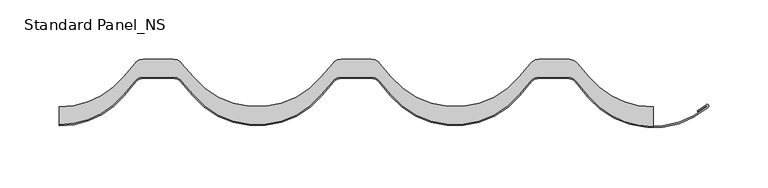
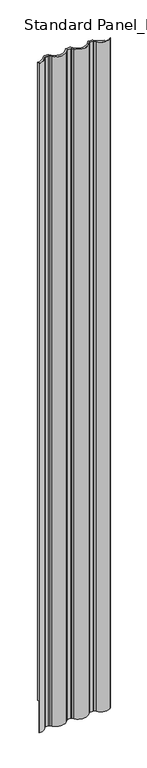
"""IFC4 building model written with IfcOpenShell, lengths in millimetres: proxy geometry, Standard Panel_NS."""

from ifc_helpers import new_model, si_unit, point, frame, frame_2d, origin, origin_with_axes, place, context, project, spatial, polyline, circle_curve, trimmed, segment, composite_curve, outline, extrude, source, transform, mapped, element, save


def standard_panel_ns_fa3ebecd(model_context):
    return source(origin(), model_context, "Body", "SweptSolid", [
        extrude(outline(composite_curve([segment(trimmed(circle_curve(frame_2d((-250.0020002, 15.0757185)), 70.0757185), [point((-196.3208854, -29.9680851))], [point((-250.0000002, -55.0))], False, "CARTESIAN"), True, "CONTINUOUS"), segment(polyline([(-250.0000002, -55.0), (-250.0000002, -40.0)]), True, "CONTINUOUS"), segment(trimmed(circle_curve(frame_2d((-250.0019094, 30.5757185)), 70.5757185), [point((-250.0000002, -40.0))], [point((-195.9377724, -14.7894789))], True, "CARTESIAN"), True, "CONTINUOUS"), segment(polyline([(-195.9377724, -14.7894789), (-186.150623, -3.1256084)]), True, "CONTINUOUS"), segment(trimmed(circle_curve(frame_2d((-179.4477341, -8.75)), 8.75), [point((-186.150623, -3.1256084))], [point((-179.4477341, 0.0))], False, "CARTESIAN"), True, "CONTINUOUS"), segment(polyline([(-179.4477341, 0.0), (-153.8900847, 0.0)]), True, "CONTINUOUS"), segment(trimmed(circle_curve(frame_2d((-153.8900847, -8.75)), 8.75), [point((-153.8900847, 0.0))], [point((-147.1871958, -3.1256084))], False, "CARTESIAN"), True, "CONTINUOUS"), segment(polyline([(-147.1871958, -3.1256084), (-137.4000464, -14.7894789)]), True, "CONTINUOUS"), segment(trimmed(circle_curve(frame_2d((-83.3359094, 30.5757185)), 70.5757185), [point((-137.4000464, -14.7894789))], [point((-29.2717724, -14.7894789))], True, "CARTESIAN"), True, "CONTINUOUS"), segment(polyline([(-29.2717724, -14.7894789), (-19.484623, -3.1256084)]), True, "CONTINUOUS"), segment(trimmed(circle_curve(frame_2d((-12.7817341, -8.75)), 8.75), [point((-19.484623, -3.1256084))], [point((-12.7817341, 0.0))], False, "CARTESIAN"), True, "CONTINUOUS"), segment(polyline([(-12.7817341, 0.0), (12.7759153, 0.0)]), True, "CONTINUOUS"), segment(trimmed(circle_curve(frame_2d((12.7759153, -8.75)), 8.75), [point((12.7759153, 0.0))], [point((19.4788042, -3.1256084))], False, "CARTESIAN"), True, "CONTINUOUS"), segment(polyline([(19.4788042, -3.1256084), (29.2659536, -14.7894789)]), True, "CONTINUOUS"), segment(trimmed(circle_curve(frame_2d((83.3300906, 30.5757185)), 70.5757185), [point((29.2659536, -14.7894789))], [point((137.3942276, -14.7894789))], True, "CARTESIAN"), True, "CONTINUOUS"), segment(polyline([(137.3942276, -14.7894789), (147.181377, -3.1256084)]), True, "CONTINUOUS"), segment(trimmed(circle_curve(frame_2d((153.8842659, -8.75)), 8.75), [point((147.181377, -3.1256084))], [point((153.8842659, 0.0))], False, "CARTESIAN"), True, "CONTINUOUS"), segment(polyline([(153.8842659, 0.0), (179.4425753, 0.0)]), True, "CONTINUOUS"), segment(trimmed(circle_curve(frame_2d((179.4425753, -8.75)), 8.75), [point((179.4425753, 0.0))], [point((186.2053543, -3.1977644))], False, "CARTESIAN"), True, "CONTINUOUS"), segment(polyline([(186.2053543, -3.1977644), (195.93412, -14.7912741)]), True, "CONTINUOUS"), segment(trimmed(circle_curve(frame_2d((249.9967506, 30.5757185)), 70.5757185), [point((195.93412, -14.7912741))], [point((249.9999091, -39.9999999))], True, "CARTESIAN"), True, "CONTINUOUS"), segment(polyline([(249.9999091, -39.9999999), (249.9999091, -56.5627177)]), True, "CONTINUOUS"), segment(trimmed(circle_curve(frame_2d((249.9965208, 13.5131508)), 70.0758685), [point((249.9999091, -56.5627177))], [point((196.315903, -31.5314785))], False, "CARTESIAN"), True, "CONTINUOUS"), segment(polyline([(196.315903, -31.5314785), (185.3078486, -18.412952)]), True, "CONTINUOUS"), segment(trimmed(circle_curve(frame_2d((177.9886197, -24.5546837)), 9.5546837), [point((185.3078486, -18.412952))], [point((177.9886197, -15.0))], True, "CARTESIAN"), True, "CONTINUOUS"), segment(polyline([(177.9886197, -15.0), (153.8841751, -15.0)]), True, "CONTINUOUS"), segment(trimmed(circle_curve(frame_2d((153.8841751, -24.25)), 9.25), [point((153.8841751, -15.0))], [point((146.798264, -18.3042146))], True, "CARTESIAN"), True, "CONTINUOUS"), segment(polyline([(146.798264, -18.3042146), (137.0111146, -29.9680851)]), True, "CONTINUOUS"), segment(trimmed(circle_curve(frame_2d((83.3299998, 15.0757185)), 70.0757185), [point((137.0111146, -29.9680851))], [point((29.6488851, -29.9680851))], False, "CARTESIAN"), True, "CONTINUOUS"), segment(polyline([(29.6488851, -29.9680851), (19.8617357, -18.3042146)]), True, "CONTINUOUS"), segment(trimmed(circle_curve(frame_2d((12.7758246, -24.25)), 9.25), [point((19.8617357, -18.3042146))], [point((12.7758246, -15.0))], True, "CARTESIAN"), True, "CONTINUOUS"), segment(polyline([(12.7758246, -15.0), (-12.7818249, -15.0)]), True, "CONTINUOUS"), segment(trimmed(circle_curve(frame_2d((-12.7818249, -24.25)), 9.25), [point((-12.7818249, -15.0))], [point((-19.867736, -18.3042146))], True, "CARTESIAN"), True, "CONTINUOUS"), segment(polyline([(-19.867736, -18.3042146), (-29.6548854, -29.9680851)]), True, "CONTINUOUS"), segment(trimmed(circle_curve(frame_2d((-83.3360002, 15.0757185)), 70.0757185), [point((-29.6548854, -29.9680851))], [point((-137.0171149, -29.9680851))], False, "CARTESIAN"), True, "CONTINUOUS"), segment(polyline([(-137.0171149, -29.9680851), (-146.8042643, -18.3042146)]), True, "CONTINUOUS"), segment(trimmed(circle_curve(frame_2d((-153.8901754, -24.25)), 9.25), [point((-146.8042643, -18.3042146))], [point((-153.8901754, -15.0))], True, "CARTESIAN"), True, "CONTINUOUS"), segment(polyline([(-153.8901754, -15.0), (-179.4478249, -15.0)]), True, "CONTINUOUS"), segment(trimmed(circle_curve(frame_2d((-179.4478249, -24.25)), 9.25), [point((-179.4478249, -15.0))], [point((-186.533736, -18.3042146))], True, "CARTESIAN"), True, "CONTINUOUS"), segment(polyline([(-186.533736, -18.3042146), (-196.3208854, -29.9680851)]), True, "CONTINUOUS")], self_intersect=False)), origin_with_axes(), (0.0, 0.0, 1.0), 5055.937104),
        extrude(outline(composite_curve([segment(trimmed(circle_curve(frame_2d((-250.0020002, 15.0757185)), 71.0757185), [point((-195.5548409, -30.6108727))], [point((-250.0000002, -56.0))], False, "CARTESIAN"), True, "CONTINUOUS"), segment(polyline([(-250.0000002, -56.0), (-250.0000002, -55.0)]), True, "CONTINUOUS"), segment(trimmed(circle_curve(frame_2d((-250.0020002, 15.0757185)), 70.0757185), [point((-250.0000002, -55.0))], [point((-196.3208854, -29.9680851))], True, "CARTESIAN"), True, "CONTINUOUS"), segment(polyline([(-196.3208854, -29.9680851), (-186.533736, -18.3042146)]), True, "CONTINUOUS"), segment(trimmed(circle_curve(frame_2d((-179.4478249, -24.25)), 9.25), [point((-186.533736, -18.3042146))], [point((-179.4478249, -15.0))], False, "CARTESIAN"), True, "CONTINUOUS"), segment(polyline([(-179.4478249, -15.0), (-153.8901754, -15.0)]), True, "CONTINUOUS"), segment(trimmed(circle_curve(frame_2d((-153.8901754, -24.25)), 9.25), [point((-153.8901754, -15.0))], [point((-146.8042643, -18.3042146))], False, "CARTESIAN"), True, "CONTINUOUS"), segment(polyline([(-146.8042643, -18.3042146), (-137.0171149, -29.9680851)]), True, "CONTINUOUS"), segment(trimmed(circle_curve(frame_2d((-83.3360002, 15.0757185)), 70.0757185), [point((-137.0171149, -29.9680851))], [point((-29.6548854, -29.9680851))], True, "CARTESIAN"), True, "CONTINUOUS"), segment(polyline([(-29.6548854, -29.9680851), (-19.867736, -18.3042146)]), True, "CONTINUOUS"), segment(trimmed(circle_curve(frame_2d((-12.7818249, -24.25)), 9.25), [point((-19.867736, -18.3042146))], [point((-12.7818249, -15.0))], False, "CARTESIAN"), True, "CONTINUOUS"), segment(polyline([(-12.7818249, -15.0), (12.7758246, -15.0)]), True, "CONTINUOUS"), segment(trimmed(circle_curve(frame_2d((12.7758246, -24.25)), 9.25), [point((12.7758246, -15.0))], [point((19.8617357, -18.3042146))], False, "CARTESIAN"), True, "CONTINUOUS"), segment(polyline([(19.8617357, -18.3042146), (29.6488851, -29.9680851)]), True, "CONTINUOUS"), segment(trimmed(circle_curve(frame_2d((83.3299998, 15.0757185)), 70.0757185), [point((29.6488851, -29.9680851))], [point((137.0111146, -29.9680851))], True, "CARTESIAN"), True, "CONTINUOUS"), segment(polyline([(137.0111146, -29.9680851), (146.798264, -18.3042146)]), True, "CONTINUOUS"), segment(trimmed(circle_curve(frame_2d((153.8841751, -24.25)), 9.25), [point((146.798264, -18.3042146))], [point((153.8841751, -15.0))], False, "CARTESIAN"), True, "CONTINUOUS"), segment(polyline([(153.8841751, -15.0), (177.9886197, -15.0)]), True, "CONTINUOUS"), segment(trimmed(circle_curve(frame_2d((177.9886197, -24.5546837)), 9.5546837), [point((177.9886197, -15.0))], [point((185.3078486, -18.412952))], False, "CARTESIAN"), True, "CONTINUOUS"), segment(polyline([(185.3078486, -18.412952), (196.315903, -31.5314785)]), True, "CONTINUOUS"), segment(trimmed(circle_curve(frame_2d((249.9965208, 13.5131508)), 70.0758685), [point((196.315903, -31.5314785))], [point((295.7576614, -39.5579841))], True, "CARTESIAN"), True, "CONTINUOUS"), segment(trimmed(circle_curve(frame_2d((295.5107918, -39.3124043)), 0.3482155), [point((295.7576614, -39.5579841))], [point((295.2774083, -39.0539742))], True, "CARTESIAN"), True, "CONTINUOUS"), segment(polyline([(295.2774083, -39.0539742), (287.7639542, -44.2869139), (287.1924343, -43.4663257), (294.6709925, -38.2576901)]), True, "CONTINUOUS"), segment(trimmed(circle_curve(frame_2d((295.5107918, -39.3124043)), 1.3482155), [point((294.6709925, -38.2576901))], [point((296.4302846, -40.2984155))], False, "CARTESIAN"), True, "CONTINUOUS"), segment(trimmed(circle_curve(frame_2d((249.9965208, 13.5131508)), 71.0758685), [point((296.4302846, -40.2984155))], [point((195.5498673, -32.1742765))], False, "CARTESIAN"), True, "CONTINUOUS"), segment(polyline([(195.5498673, -32.1742765), (184.5418129, -19.05575)]), True, "CONTINUOUS"), segment(trimmed(circle_curve(frame_2d((177.9886197, -24.5546837)), 8.5546837), [point((184.5418129, -19.05575))], [point((177.9886197, -16.0))], True, "CARTESIAN"), True, "CONTINUOUS"), segment(polyline([(177.9886197, -16.0), (153.8841751, -16.0)]), True, "CONTINUOUS"), segment(trimmed(circle_curve(frame_2d((153.8841751, -24.25)), 8.25), [point((153.8841751, -16.0))], [point((147.5643085, -18.9470022))], True, "CARTESIAN"), True, "CONTINUOUS"), segment(polyline([(147.5643085, -18.9470022), (137.7771591, -30.6108727)]), True, "CONTINUOUS"), segment(trimmed(circle_curve(frame_2d((83.3299998, 15.0757185)), 71.0757185), [point((137.7771591, -30.6108727))], [point((28.8828406, -30.6108727))], False, "CARTESIAN"), True, "CONTINUOUS"), segment(polyline([(28.8828406, -30.6108727), (19.0956912, -18.9470022)]), True, "CONTINUOUS"), segment(trimmed(circle_curve(frame_2d((12.7758246, -24.25)), 8.25), [point((19.0956912, -18.9470022))], [point((12.7758246, -16.0))], True, "CARTESIAN"), True, "CONTINUOUS"), segment(polyline([(12.7758246, -16.0), (-12.7818249, -16.0)]), True, "CONTINUOUS"), segment(trimmed(circle_curve(frame_2d((-12.7818249, -24.25)), 8.25), [point((-12.7818249, -16.0))], [point((-19.1016915, -18.9470022))], True, "CARTESIAN"), True, "CONTINUOUS"), segment(polyline([(-19.1016915, -18.9470022), (-28.8888409, -30.6108727)]), True, "CONTINUOUS"), segment(trimmed(circle_curve(frame_2d((-83.3360002, 15.0757185)), 71.0757185), [point((-28.8888409, -30.6108727))], [point((-137.7831594, -30.6108727))], False, "CARTESIAN"), True, "CONTINUOUS"), segment(polyline([(-137.7831594, -30.6108727), (-147.5703088, -18.9470022)]), True, "CONTINUOUS"), segment(trimmed(circle_curve(frame_2d((-153.8901754, -24.25)), 8.25), [point((-147.5703088, -18.9470022))], [point((-153.8901754, -16.0))], True, "CARTESIAN"), True, "CONTINUOUS"), segment(polyline([(-153.8901754, -16.0), (-179.4478249, -16.0)]), True, "CONTINUOUS"), segment(trimmed(circle_curve(frame_2d((-179.4478249, -24.25)), 8.25), [point((-179.4478249, -16.0))], [point((-185.7676915, -18.9470022))], True, "CARTESIAN"), True, "CONTINUOUS"), segment(polyline([(-185.7676915, -18.9470022), (-195.5548409, -30.6108727)]), True, "CONTINUOUS")], self_intersect=False)), frame((0.0, 0.0, -250.0), z_axis=(0.0, 0.0, 1.0), x_axis=(1.0, 0.0, 0.0)), (0.0, 0.0, 1.0), 5305.937104),
    ])


if __name__ == "__main__":
    model = new_model("IFC4")
    model_context = context("Model", 3, world=origin())
    ifc_project = project(units=[si_unit("LENGTHUNIT", "METRE", prefix="MILLI")], contexts=[model_context])
    site = spatial("IfcSite", under=ifc_project)
    building = spatial("IfcBuilding", under=site)
    placement = place(None, origin())
    standard_panel_ns_shape = standard_panel_ns_fa3ebecd(model_context)
    element("IfcBuildingElementProxy", 1, Name="Standard Panel_NS", ObjectType="Standard Panel_NS", at=placement, inside=building, context=model_context, shape_type="MappedRepresentation", body=[
        mapped(standard_panel_ns_shape, transform((0.0, 0.0, 0.0), x_axis=(1.0, 0.0, 0.0), y_axis=(0.0, 1.0, 0.0), z_axis=(0.0, 0.0, 1.0))),
    ])
    save(model, "model.ifc")
